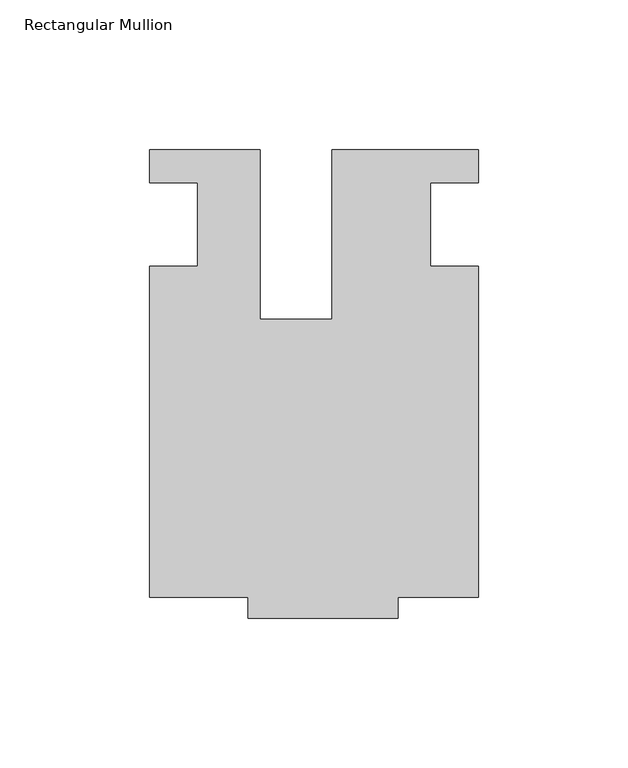
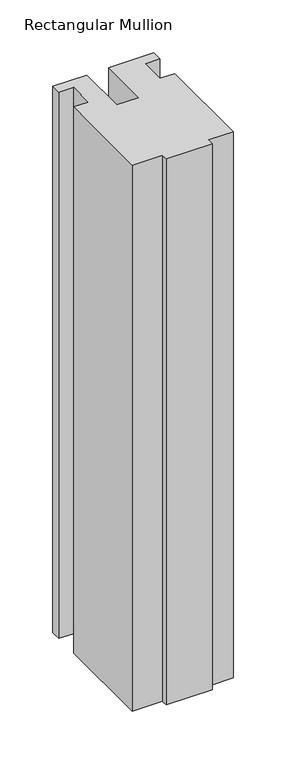
"""IFC4 building model written with IfcOpenShell, lengths in millimetres: member geometry, Rectangular Mullion."""

from ifc_helpers import new_model, si_unit, frame, origin, place, context, project, spatial, polyline, outline, extrude, source, transform, mapped, element, save


def rectangular_mullion_bdc5f6e5(model_context):
    return source(origin(), model_context, "Body", "SweptSolid", [
        extrude(outline(polyline([(-24.0309529, 25.0), (-24.0309529, -31.6008577), (0.0028846, -31.6008577), (0.0028846, 25.0), (49.0, 25.0), (49.0, 14.0), (33.0, 14.0), (33.0, -14.0), (49.0, -14.0), (49.0, -124.5), (22.0028846, -124.5), (22.0028846, -131.5), (-27.9971154, -131.5), (-27.9971154, -124.4999439), (-60.9971154, -124.4999439), (-60.9971154, -13.9998907), (-44.9942308, -13.9998907), (-44.9942308, 14.0), (-60.9971154, 14.0), (-60.9971154, 25.0), (-24.0309529, 25.0)])), frame((0.0, 0.0, -629.1672627), z_axis=(0.0, 0.0, 1.0), x_axis=(1.0, 0.0, 0.0)), (0.0, 0.0, 1.0), 629.1672627),
    ])


if __name__ == "__main__":
    model = new_model("IFC4")
    model_context = context("Model", 3, world=origin())
    ifc_project = project(units=[si_unit("LENGTHUNIT", "METRE", prefix="MILLI")], contexts=[model_context])
    site = spatial("IfcSite", under=ifc_project)
    building = spatial("IfcBuilding", under=site)
    placement = place(None, origin())
    rectangular_mullion_shape = rectangular_mullion_bdc5f6e5(model_context)
    element("IfcMember", 1, ObjectType="Rectangular Mullion", at=placement, inside=building, context=model_context, shape_type="MappedRepresentation", body=[
        mapped(rectangular_mullion_shape, transform((0.0, 0.0, 0.0), x_axis=(1.0, 0.0, 0.0), y_axis=(0.0, 1.0, 0.0), z_axis=(0.0, 0.0, 1.0))),
    ])
    save(model, "model.ifc")
